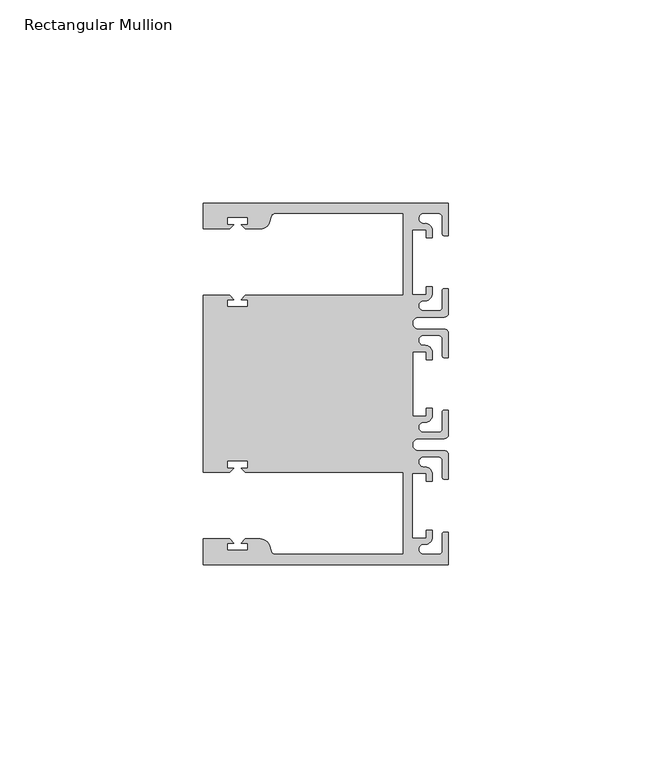
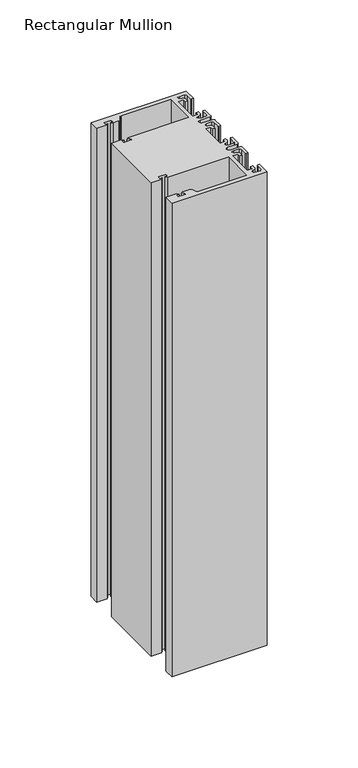
"""IFC4 building model written with IfcOpenShell, lengths in millimetres: member geometry, Rectangular Mullion."""

from ifc_helpers import new_model, si_unit, point, frame, frame_2d, origin, place, context, project, spatial, polyline, circle_curve, trimmed, segment, composite_curve, outline, extrude, source, transform, mapped, element, save


def rectangular_mullion_b479f472(model_context):
    return source(origin(), model_context, "Body", "SweptSolid", [
        extrude(outline(composite_curve([segment(polyline([(0.0, -44.45), (-60.3249977, -44.45), (-60.3249977, -38.1499897), (-53.8507531, -38.1499897), (-52.8507405, -39.1500023), (-54.4249778, -39.1500023), (-54.4249778, -40.9498819), (-49.4249831, -40.9498819), (-49.4249831, -39.1500023), (-50.999256, -39.1500023), (-49.9992503, -38.1499966), (-46.3137853, -38.1499966)]), True, "CONTINUOUS"), segment(trimmed(circle_curve(frame_2d((-46.3137853, -40.6499966)), 2.5), [point((-46.3137853, -38.1499966))], [point((-43.8989707, -40.002949))], False, "CARTESIAN"), True, "CONTINUOUS"), segment(polyline([(-43.8989707, -40.002949), (-43.5758588, -41.2088192)]), True, "CONTINUOUS"), segment(trimmed(circle_curve(frame_2d((-42.6099329, -40.9500001)), 1.0), [point((-43.5758588, -41.2088192))], [point((-42.6099329, -41.9500001))], True, "CARTESIAN"), True, "CONTINUOUS"), segment(polyline([(-42.6099329, -41.9500001), (-11.1124977, -41.95), (-11.1124977, -21.7499959), (-49.9992434, -21.7499959), (-50.999256, -20.7499834), (-49.4250186, -20.7499834), (-49.4250186, -18.949936), (-54.4250134, -18.949936), (-54.4250134, -20.7499834), (-52.8507405, -20.7499834), (-53.8507562, -21.749999), (-60.325, -21.749999), (-60.325, 21.749999), (-53.8507562, 21.749999), (-52.8507405, 20.7499834), (-54.4250134, 20.7499834), (-54.4250134, 18.949936), (-49.4250186, 18.949936), (-49.4250186, 20.7499834), (-50.999256, 20.7499834), (-49.9992434, 21.7499959), (-11.1125, 21.7499959), (-11.1125, 41.95), (-42.6099329, 41.95)]), True, "CONTINUOUS"), segment(trimmed(circle_curve(frame_2d((-42.6099329, 40.9500001)), 1.0), [point((-42.6099329, 41.95))], [point((-43.5758588, 41.2088192))], True, "CARTESIAN"), True, "CONTINUOUS"), segment(polyline([(-43.5758588, 41.2088192), (-43.8989707, 40.002949)]), True, "CONTINUOUS"), segment(trimmed(circle_curve(frame_2d((-46.3137853, 40.6499966)), 2.5), [point((-43.8989707, 40.002949))], [point((-46.3137853, 38.1499966))], False, "CARTESIAN"), True, "CONTINUOUS"), segment(polyline([(-46.3137853, 38.1499966), (-49.9992503, 38.1499966), (-50.999256, 39.1500023), (-49.4249831, 39.1500023), (-49.4249831, 40.9498819), (-54.4249778, 40.9498819), (-54.4249778, 39.1500023), (-52.8507405, 39.1500023), (-53.8507531, 38.1499897), (-60.325, 38.1499897), (-60.325, 44.45), (0.0, 44.45), (0.0, 36.4500318), (-1.0, 36.4500318)]), True, "CONTINUOUS"), segment(trimmed(circle_curve(frame_2d((-1.0, 36.9500318)), 0.5), [point((-1.0, 36.4500318))], [point((-1.5, 36.9500318))], False, "CARTESIAN"), True, "CONTINUOUS"), segment(polyline([(-1.5, 36.9500318), (-1.5, 40.95)]), True, "CONTINUOUS"), segment(trimmed(circle_curve(frame_2d((-2.5, 40.95)), 1.0), [point((-1.5, 40.95))], [point((-2.5, 41.95))], True, "CARTESIAN"), True, "CONTINUOUS"), segment(polyline([(-2.5, 41.95), (-6.0499986, 41.95)]), True, "CONTINUOUS"), segment(trimmed(circle_curve(frame_2d((-6.0499986, 40.6999986)), 1.2500014), [point((-6.0499986, 41.95))], [point((-5.9027291, 39.4587029))], True, "CARTESIAN"), True, "CONTINUOUS"), segment(trimmed(circle_curve(frame_2d((-5.7186029, 37.7499972)), 1.7185975), [point((-5.9027291, 39.4587029))], [point((-4.0000054, 37.7499972))], False, "CARTESIAN"), True, "CONTINUOUS"), segment(polyline([(-4.0000054, 37.7499972), (-4.0000054, 35.9500318), (-5.5, 35.9500318), (-5.5, 37.9499972), (-8.8585786, 37.9499972), (-8.8585786, 21.9499956), (-5.5, 21.9499956), (-5.5, 23.9499611), (-3.9999946, 23.9499611), (-3.9999946, 22.0272972)]), True, "CONTINUOUS"), segment(trimmed(circle_curve(frame_2d((-5.7543344, 22.1865598)), 1.761554), [point((-3.9999946, 22.0272972))], [point((-6.0499986, 20.4499956))], False, "CARTESIAN"), True, "CONTINUOUS"), segment(trimmed(circle_curve(frame_2d((-6.0499986, 19.1999942)), 1.2500014), [point((-6.0499986, 20.4499956))], [point((-6.0499986, 17.9499929))], True, "CARTESIAN"), True, "CONTINUOUS"), segment(polyline([(-6.0499986, 17.9499929), (-2.5, 17.9499929)]), True, "CONTINUOUS"), segment(trimmed(circle_curve(frame_2d((-2.5, 18.9499929)), 1.0), [point((-2.5, 17.9499929))], [point((-1.5, 18.9499929))], True, "CARTESIAN"), True, "CONTINUOUS"), segment(polyline([(-1.5, 18.9499929), (-1.5, 22.9499611)]), True, "CONTINUOUS"), segment(trimmed(circle_curve(frame_2d((-1.0, 22.9499611)), 0.5), [point((-1.5, 22.9499611))], [point((-1.0, 23.4499611))], False, "CARTESIAN"), True, "CONTINUOUS"), segment(polyline([(-1.0, 23.4499611), (0.0, 23.4499611), (0.0, 17.4499929)]), True, "CONTINUOUS"), segment(trimmed(circle_curve(frame_2d((-1.0, 17.4499929)), 1.0), [point((0.0, 17.4499929))], [point((-1.0, 16.4499929))], False, "CARTESIAN"), True, "CONTINUOUS"), segment(polyline([(-1.0, 16.4499929), (-7.3, 16.4499929)]), True, "CONTINUOUS"), segment(trimmed(circle_curve(frame_2d((-7.3, 14.9499929)), 1.5), [point((-7.3, 16.4499929))], [point((-7.3046244, 13.45))], True, "CARTESIAN"), True, "CONTINUOUS"), segment(polyline([(-7.3046244, 13.45), (-1.0, 13.45)]), True, "CONTINUOUS"), segment(trimmed(circle_curve(frame_2d((-1.0, 12.45)), 1.0), [point((-1.0, 13.45))], [point((0.0, 12.45))], False, "CARTESIAN"), True, "CONTINUOUS"), segment(polyline([(0.0, 12.45), (0.0, 6.4500354), (-0.9999964, 6.4500354)]), True, "CONTINUOUS"), segment(trimmed(circle_curve(frame_2d((-0.9999964, 6.9500354)), 0.5), [point((-0.9999964, 6.4500354))], [point((-1.4999964, 6.9500354))], False, "CARTESIAN"), True, "CONTINUOUS"), segment(polyline([(-1.4999964, 6.9500354), (-1.4999964, 10.95)]), True, "CONTINUOUS"), segment(trimmed(circle_curve(frame_2d((-2.4999964, 10.95)), 1.0), [point((-1.4999964, 10.95))], [point((-2.4999964, 11.95))], True, "CARTESIAN"), True, "CONTINUOUS"), segment(polyline([(-2.4999964, 11.95), (-6.0499986, 11.95)]), True, "CONTINUOUS"), segment(trimmed(circle_curve(frame_2d((-6.0499986, 10.6999986)), 1.2500014), [point((-6.0499986, 11.95))], [point((-6.0499986, 9.4499972))], True, "CARTESIAN"), True, "CONTINUOUS"), segment(trimmed(circle_curve(frame_2d((-5.7298824, 7.7499972)), 1.729877), [point((-6.0499986, 9.4499972))], [point((-4.0000054, 7.7499972))], False, "CARTESIAN"), True, "CONTINUOUS"), segment(polyline([(-4.0000054, 7.7499972), (-4.0000054, 5.9500318), (-5.5, 5.9500318), (-5.5, 7.9499972), (-8.8, 7.9499972), (-8.8, -7.9499972), (-5.5, -7.9499972), (-5.5, -5.9500318), (-4.0000054, -5.9500318), (-4.0000054, -7.7499972)]), True, "CONTINUOUS"), segment(trimmed(circle_curve(frame_2d((-5.7298824, -7.7499972)), 1.729877), [point((-4.0000054, -7.7499972))], [point((-6.0499986, -9.4499972))], False, "CARTESIAN"), True, "CONTINUOUS"), segment(trimmed(circle_curve(frame_2d((-6.0499986, -10.6999986)), 1.2500014), [point((-6.0499986, -9.4499972))], [point((-6.0499986, -11.95))], True, "CARTESIAN"), True, "CONTINUOUS"), segment(polyline([(-6.0499986, -11.95), (-2.4999964, -11.95)]), True, "CONTINUOUS"), segment(trimmed(circle_curve(frame_2d((-2.4999964, -10.95)), 1.0), [point((-2.4999964, -11.95))], [point((-1.4999964, -10.95))], True, "CARTESIAN"), True, "CONTINUOUS"), segment(polyline([(-1.4999964, -10.95), (-1.4999964, -6.9500354)]), True, "CONTINUOUS"), segment(trimmed(circle_curve(frame_2d((-0.9999964, -6.9500354)), 0.5), [point((-1.4999964, -6.9500354))], [point((-0.9999964, -6.4500354))], False, "CARTESIAN"), True, "CONTINUOUS"), segment(polyline([(-0.9999964, -6.4500354), (0.0, -6.4500354), (0.0, -12.45)]), True, "CONTINUOUS"), segment(trimmed(circle_curve(frame_2d((-1.0, -12.45)), 1.0), [point((0.0, -12.45))], [point((-1.0, -13.45))], False, "CARTESIAN"), True, "CONTINUOUS"), segment(polyline([(-1.0, -13.45), (-7.3046244, -13.45)]), True, "CONTINUOUS"), segment(trimmed(circle_curve(frame_2d((-7.3, -14.9499929)), 1.5), [point((-7.3046244, -13.45))], [point((-7.3, -16.4499929))], True, "CARTESIAN"), True, "CONTINUOUS"), segment(polyline([(-7.3, -16.4499929), (-1.0, -16.4499929)]), True, "CONTINUOUS"), segment(trimmed(circle_curve(frame_2d((-1.0, -17.4499929)), 1.0), [point((-1.0, -16.4499929))], [point((0.0, -17.4499929))], False, "CARTESIAN"), True, "CONTINUOUS"), segment(polyline([(0.0, -17.4499929), (0.0, -23.4499611), (-1.0, -23.4499611)]), True, "CONTINUOUS"), segment(trimmed(circle_curve(frame_2d((-1.0, -22.9499611)), 0.5), [point((-1.0, -23.4499611))], [point((-1.5, -22.9499611))], False, "CARTESIAN"), True, "CONTINUOUS"), segment(polyline([(-1.5, -22.9499611), (-1.5, -18.9499929)]), True, "CONTINUOUS"), segment(trimmed(circle_curve(frame_2d((-2.5, -18.9499929)), 1.0), [point((-1.5, -18.9499929))], [point((-2.5, -17.9499929))], True, "CARTESIAN"), True, "CONTINUOUS"), segment(polyline([(-2.5, -17.9499929), (-6.0499986, -17.9499929)]), True, "CONTINUOUS"), segment(trimmed(circle_curve(frame_2d((-6.0499986, -19.1999942)), 1.2500014), [point((-6.0499986, -17.9499929))], [point((-6.0499986, -20.4499956))], True, "CARTESIAN"), True, "CONTINUOUS"), segment(trimmed(circle_curve(frame_2d((-5.7543344, -22.1865598)), 1.761554), [point((-6.0499986, -20.4499956))], [point((-3.9999946, -22.0272972))], False, "CARTESIAN"), True, "CONTINUOUS"), segment(polyline([(-3.9999946, -22.0272972), (-3.9999946, -23.9499611), (-5.5, -23.9499611), (-5.5, -21.9499956), (-8.8585786, -21.9499956), (-8.8585786, -37.9499972), (-5.5, -37.9499972), (-5.5, -35.9500318), (-4.0000054, -35.9500318), (-4.0000054, -37.7499972)]), True, "CONTINUOUS"), segment(trimmed(circle_curve(frame_2d((-5.7186029, -37.7499972)), 1.7185975), [point((-4.0000054, -37.7499972))], [point((-5.9027291, -39.4587029))], False, "CARTESIAN"), True, "CONTINUOUS"), segment(trimmed(circle_curve(frame_2d((-6.0499986, -40.6999986)), 1.2500014), [point((-5.9027291, -39.4587029))], [point((-6.0499986, -41.95))], True, "CARTESIAN"), True, "CONTINUOUS"), segment(polyline([(-6.0499986, -41.95), (-2.5, -41.95)]), True, "CONTINUOUS"), segment(trimmed(circle_curve(frame_2d((-2.5, -40.95)), 1.0), [point((-2.5, -41.95))], [point((-1.5, -40.95))], True, "CARTESIAN"), True, "CONTINUOUS"), segment(polyline([(-1.5, -40.95), (-1.5, -36.9500318)]), True, "CONTINUOUS"), segment(trimmed(circle_curve(frame_2d((-1.0, -36.9500318)), 0.5), [point((-1.5, -36.9500318))], [point((-1.0, -36.4500318))], False, "CARTESIAN"), True, "CONTINUOUS"), segment(polyline([(-1.0, -36.4500318), (0.0, -36.4500318), (0.0, -44.45)]), True, "CONTINUOUS")], self_intersect=False)), frame((0.0, 0.0, -317.5), z_axis=(0.0, 0.0, 1.0), x_axis=(1.0, 0.0, 0.0)), (0.0, 0.0, 1.0), 317.5),
    ])


if __name__ == "__main__":
    model = new_model("IFC4")
    model_context = context("Model", 3, world=origin())
    ifc_project = project(units=[si_unit("LENGTHUNIT", "METRE", prefix="MILLI")], contexts=[model_context])
    site = spatial("IfcSite", under=ifc_project)
    building = spatial("IfcBuilding", under=site)
    placement = place(None, origin())
    rectangular_mullion_shape = rectangular_mullion_b479f472(model_context)
    element("IfcMember", 1, ObjectType="Rectangular Mullion", at=placement, inside=building, context=model_context, shape_type="MappedRepresentation", body=[
        mapped(rectangular_mullion_shape, transform((0.0, 0.0, 0.0), x_axis=(1.0, 0.0, 0.0), y_axis=(0.0, 1.0, 0.0), z_axis=(0.0, 0.0, 1.0))),
    ])
    save(model, "model.ifc")
